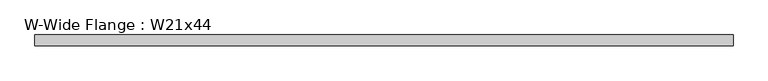
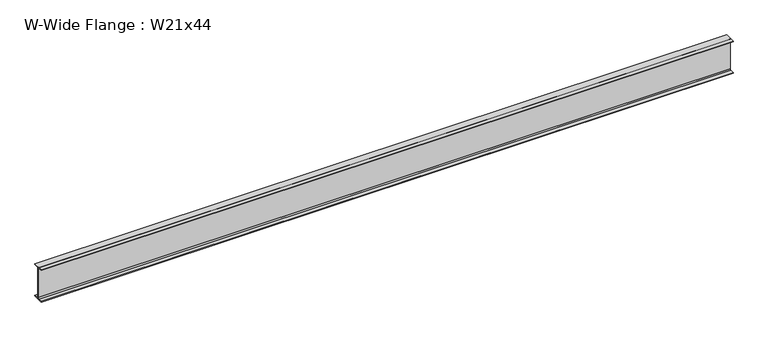
"""IFC4 building model written with IfcOpenShell, lengths in millimetres: beam geometry, W-Wide Flange : W21x44."""

import ifcopenshell
import ifcopenshell.guid

model = None  # the IFC model being written
_history = None  # IfcOwnerHistory: only IFC2X3 demands one
_inside = {}  # id of a spatial element -> (the spatial element, [elements in it])
_under = {}  # id of a project, library or spatial element -> (it, [spatial elements below it])
_declared = {}  # id of a project -> (the project, [libraries it declares])
_typed = {}  # id of a type object -> (the type object, [elements of that type])
_made_of = {}  # id of a material, layer set ... -> (it, [elements and type objects made of it])


def new_model(schema):
    """Start an empty IFC model of exactly this schema.

    Asked for "IFC4X3", IfcOpenShell would pick the latest addendum, in which some entities
    have other attributes; the version numbers below select the first issue.
    IFC2X3 requires an IfcOwnerHistory on every rooted entity: one is made here for all.
    """
    global model, _history
    if schema == "IFC4X3":
        model = ifcopenshell.file(schema_version=(4, 3, 0, 0))
    else:
        model = ifcopenshell.file(schema=schema)
    _inside.clear()
    _under.clear()
    _declared.clear()
    _typed.clear()
    _made_of.clear()
    _history = None
    if model.schema == "IFC2X3":
        org = make("IfcOrganization", Name="unknown")
        user = make(
            "IfcPersonAndOrganization",
            ThePerson=make("IfcPerson", FamilyName="unknown"),
            TheOrganization=org,
        )
        app = make(
            "IfcApplication",
            ApplicationDeveloper=org,
            Version="unknown",
            ApplicationFullName="unknown",
            ApplicationIdentifier="unknown",
        )
        _history = make(
            "IfcOwnerHistory",
            OwningUser=user,
            OwningApplication=app,
            ChangeAction="ADDED",
            CreationDate=0,
        )
    return model


def make(cls, **values):
    """One entity of the class cls with the attributes given. An attribute that is None is left unset."""
    return model.create_entity(
        cls, **{name: value for name, value in values.items() if value is not None}
    )


def rooted(cls, **values):
    """An entity with a GlobalId (a new one), such as an element, a storey or a relation."""
    return make(cls, GlobalId=ifcopenshell.guid.new(), OwnerHistory=_history, **values)


def si_unit(unit_type, name, prefix=None):
    """IfcSIUnit, for example si_unit("LENGTHUNIT", "METRE", prefix="MILLI")."""
    return make("IfcSIUnit", UnitType=unit_type, Prefix=prefix, Name=name)


def assignment(units):
    """IfcUnitAssignment: the units of a project."""
    return None if units is None else make("IfcUnitAssignment", Units=units)


def point(xyz):
    """IfcCartesianPoint."""
    return None if xyz is None else make("IfcCartesianPoint", Coordinates=xyz)


def direction(xyz):
    """IfcDirection."""
    return None if xyz is None else make("IfcDirection", DirectionRatios=xyz)


def frame(location, z_axis=None, x_axis=None):
    """IfcAxis2Placement3D, a coordinate frame: its origin and axes. An axis left out is left unset."""
    return make(
        "IfcAxis2Placement3D",
        Location=point(location),
        Axis=direction(z_axis),
        RefDirection=direction(x_axis),
    )


def frame_2d(location, x_axis=None):
    """IfcAxis2Placement2D, a coordinate frame in the plane: its origin and x axis."""
    return make(
        "IfcAxis2Placement2D", Location=point(location), RefDirection=direction(x_axis)
    )


def origin():
    """The frame at (0, 0, 0) with its axes left unset."""
    return frame((0.0, 0.0, 0.0))


def place(relative_to, where):
    """IfcLocalPlacement: puts the frame where relative to a parent placement (None: the world)."""
    return make(
        "IfcLocalPlacement", PlacementRelTo=relative_to, RelativePlacement=where
    )


def context(
    kind, dimensions, precision=None, world=None, true_north=None, identifier=None
):
    """IfcGeometricRepresentationContext, for example the 3D "Model" context."""
    return make(
        "IfcGeometricRepresentationContext",
        ContextIdentifier=identifier,
        ContextType=kind,
        CoordinateSpaceDimension=dimensions,
        Precision=precision,
        WorldCoordinateSystem=world,
        TrueNorth=true_north,
    )


def project(units=None, contexts=None):
    """IfcProject with its units and contexts."""
    return rooted(
        "IfcProject",
        Name="project",
        RepresentationContexts=contexts,
        UnitsInContext=assignment(units),
    )


def spatial(cls, under=None, at=None, **own):
    """A site, building, storey or space (cls), placed at a placement, below another one or the project."""
    s = rooted(cls, ObjectPlacement=at, **own)
    if under is not None:
        _under.setdefault(under.id(), (under, []))[1].append(s)
    return s


def polyline(points):
    """IfcPolyline through the points."""
    return make("IfcPolyline", Points=[point(p) for p in points])


def circle_curve(where, radius):
    """IfcCircle in the frame where."""
    return make("IfcCircle", Position=where, Radius=radius)


def trimmed(basis, trim1, trim2, sense, master):
    """IfcTrimmedCurve: the piece of a basis curve between two trims."""
    return make(
        "IfcTrimmedCurve",
        BasisCurve=basis,
        Trim1=trim1,
        Trim2=trim2,
        SenseAgreement=sense,
        MasterRepresentation=master,
    )


def segment(curve, same_sense, transition):
    """IfcCompositeCurveSegment."""
    return make(
        "IfcCompositeCurveSegment",
        Transition=transition,
        SameSense=same_sense,
        ParentCurve=curve,
    )


def composite_curve(segments, self_intersect=None):
    """IfcCompositeCurve: segments joined end to end."""
    return make("IfcCompositeCurve", Segments=segments, SelfIntersect=self_intersect)


def outline(outer, holes=None, kind="AREA"):
    """IfcArbitraryClosedProfileDef: a profile drawn as a closed curve; with holes, ...WithVoids."""
    if holes is None:
        return make("IfcArbitraryClosedProfileDef", ProfileType=kind, OuterCurve=outer)
    return make(
        "IfcArbitraryProfileDefWithVoids",
        ProfileType=kind,
        OuterCurve=outer,
        InnerCurves=holes,
    )


def extrude(swept, where, along, depth):
    """IfcExtrudedAreaSolid: the profile swept, set in the frame where, extruded along a direction by depth."""
    return make(
        "IfcExtrudedAreaSolid",
        SweptArea=swept,
        Position=where,
        ExtrudedDirection=direction(along),
        Depth=depth,
    )


def shape(context_of_items, identifier, shape_type, items):
    """IfcShapeRepresentation: the items that make up one representation, for example the "Body"."""
    return make(
        "IfcShapeRepresentation",
        ContextOfItems=context_of_items,
        RepresentationIdentifier=identifier,
        RepresentationType=shape_type,
        Items=items,
    )


def source(mapping_origin, context_of_items, identifier, shape_type, items):
    """IfcRepresentationMap: a shape defined once, which mapped items show again and again."""
    return make(
        "IfcRepresentationMap",
        MappingOrigin=mapping_origin,
        MappedRepresentation=shape(context_of_items, identifier, shape_type, items),
    )


def transform(
    local_origin,
    x_axis=None,
    y_axis=None,
    z_axis=None,
    scale=None,
    scale2=None,
    scale3=None,
    uniform=True,
):
    """IfcCartesianTransformationOperator3D, or its non-uniform kind. x_axis, y_axis, z_axis: its Axis1, 2, 3."""
    if uniform:
        return make(
            "IfcCartesianTransformationOperator3D",
            Axis1=direction(x_axis),
            Axis2=direction(y_axis),
            LocalOrigin=point(local_origin),
            Scale=scale,
            Axis3=direction(z_axis),
        )
    return make(
        "IfcCartesianTransformationOperator3DnonUniform",
        Axis1=direction(x_axis),
        Axis2=direction(y_axis),
        LocalOrigin=point(local_origin),
        Scale=scale,
        Axis3=direction(z_axis),
        Scale2=scale2,
        Scale3=scale3,
    )


def mapped(mapping_source, mapping_target):
    """IfcMappedItem: shows the shape of a source again, moved by a transform."""
    return make(
        "IfcMappedItem", MappingSource=mapping_source, MappingTarget=mapping_target
    )


def made_of(thing, what):
    """Note that an element or type object is made of a material, layer set ...; save() writes the relation."""
    if what is not None:
        _made_of.setdefault(what.id(), (what, []))[1].append(thing)
    return thing


def element(
    cls,
    number,
    at=None,
    inside=None,
    cuts=None,
    type_object=None,
    material=None,
    context=None,
    identifier="Body",
    shape_type=None,
    held_by="IfcProductDefinitionShape",
    body=None,
    shapes=None,
    **own,
):
    """One element of the class cls, such as IfcWall. Its Tag is "e" and its number.

    at: its placement. inside: the storey or other place that contains it. cuts: it is an
    opening in that element (IfcRelVoidsElement). A single representation is given by context,
    identifier, shape_type and body (its items); several are given by shapes. held_by: the class
    of the entity that holds the representations. save() writes the other relations.
    """
    e = rooted(cls, Tag="e%d" % number, ObjectPlacement=at, **own)
    if body is not None:
        shapes = [shape(context, identifier, shape_type, body)]
    if shapes is not None:
        e.Representation = make(held_by, Representations=shapes)
    if inside is not None:
        _inside.setdefault(inside.id(), (inside, []))[1].append(e)
    if cuts is not None:
        rooted(
            "IfcRelVoidsElement", RelatingBuildingElement=cuts, RelatedOpeningElement=e
        )
    if type_object is not None:
        _typed.setdefault(type_object.id(), (type_object, []))[1].append(e)
    return made_of(e, material)


def aggregate(whole, parts):
    """IfcRelAggregates: a whole, such as a stair, and the parts it consists of."""
    return rooted("IfcRelAggregates", RelatingObject=whole, RelatedObjects=parts)


def save(model, path):
    """Write the relations noted so far, then the file.

    IfcRelAggregates (storeys below a building ...), IfcRelContainedInSpatialStructure (elements
    in a storey), IfcRelDefinesByType, IfcRelAssociatesMaterial and IfcRelDeclares: one each for
    every whole, place, type object, material and project.
    """
    for whole, parts in _under.values():
        aggregate(whole, parts)
    for where, things in _inside.values():
        rooted(
            "IfcRelContainedInSpatialStructure",
            RelatedElements=things,
            RelatingStructure=where,
        )
    for kind, things in _typed.values():
        rooted("IfcRelDefinesByType", RelatedObjects=things, RelatingType=kind)
    for what, things in _made_of.values():
        rooted("IfcRelAssociatesMaterial", RelatedObjects=things, RelatingMaterial=what)
    for by, libraries in _declared.values():
        rooted("IfcRelDeclares", RelatingContext=by, RelatedDefinitions=libraries)
    model.write(path)


def w_wide_flange_w21x44_f833ba72(model_context):
    return source(origin(), model_context, "Body", "SweptSolid", [
        extrude(outline(composite_curve([segment(polyline([(82.55, -251.46), (82.55, -262.89), (-82.55, -262.89), (-82.55, -251.46), (-21.59, -251.46)]), True, "CONTINUOUS"), segment(trimmed(circle_curve(frame_2d((-21.59, -234.315)), 17.145), [point((-21.59, -251.46))], [point((-4.445, -234.315))], True, "CARTESIAN"), True, "CONTINUOUS"), segment(polyline([(-4.445, -234.315), (-4.445, 234.315)]), True, "CONTINUOUS"), segment(trimmed(circle_curve(frame_2d((-21.59, 234.315)), 17.145), [point((-4.445, 234.315))], [point((-21.59, 251.46))], True, "CARTESIAN"), True, "CONTINUOUS"), segment(polyline([(-21.59, 251.46), (-82.55, 251.46), (-82.55, 262.89), (82.55, 262.89), (82.55, 251.46), (21.59, 251.46)]), True, "CONTINUOUS"), segment(trimmed(circle_curve(frame_2d((21.59, 234.315)), 17.145), [point((21.59, 251.46))], [point((4.445, 234.315))], True, "CARTESIAN"), True, "CONTINUOUS"), segment(polyline([(4.445, 234.315), (4.445, -234.315)]), True, "CONTINUOUS"), segment(trimmed(circle_curve(frame_2d((21.59, -234.315)), 17.145), [point((4.445, -234.315))], [point((21.59, -251.46))], True, "CARTESIAN"), True, "CONTINUOUS"), segment(polyline([(21.59, -251.46), (82.55, -251.46)]), True, "CONTINUOUS")], self_intersect=False)), frame((-5320.0206977, 0.0, 0.0), z_axis=(1.0, 0.0, 0.0), x_axis=(0.0, 1.0, 0.0)), (0.0, 0.0, 1.0), 10640.0413955),
    ])


if __name__ == "__main__":
    model = new_model("IFC4")
    model_context = context("Model", 3, world=origin())
    ifc_project = project(units=[si_unit("LENGTHUNIT", "METRE", prefix="MILLI")], contexts=[model_context])
    site = spatial("IfcSite", under=ifc_project)
    building = spatial("IfcBuilding", under=site)
    placement = place(None, origin())
    w_wide_flange_w21x44_shape = w_wide_flange_w21x44_f833ba72(model_context)
    element("IfcBeam", 1, ObjectType="W-Wide Flange : W21x44", at=placement, inside=building, context=model_context, shape_type="MappedRepresentation", body=[
        mapped(w_wide_flange_w21x44_shape, transform((0.0, 0.0, 0.0), x_axis=(1.0, 0.0, 0.0), y_axis=(0.0, 1.0, 0.0), z_axis=(0.0, 0.0, 1.0))),
    ])
    save(model, "model.ifc")
